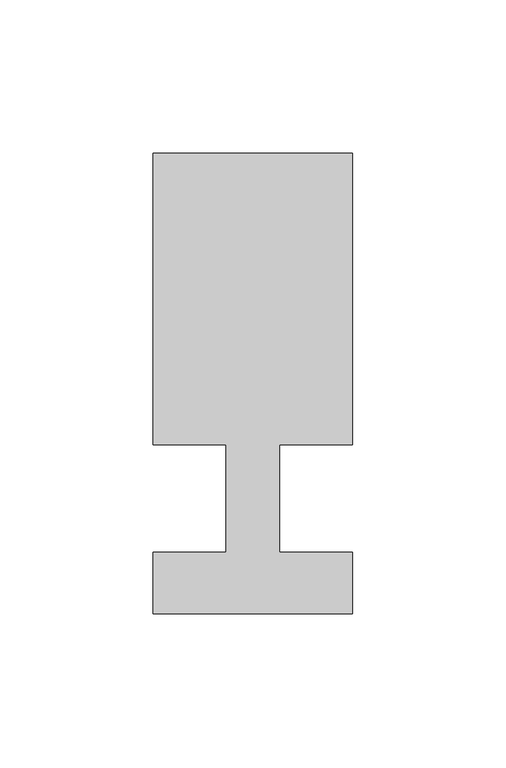
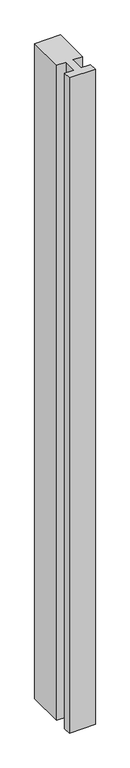
"""IFC4 building model written with IfcOpenShell, lengths in millimetres: member geometry."""

from ifc_helpers import new_model, si_unit, frame, origin, place, context, project, spatial, polyline, outline, extrude, source, transform, mapped, element, save


def member_1a3626c0(model_context):
    return source(origin(), model_context, "Body", "SweptSolid", [
        extrude(outline(polyline([(-65.0, -37.0), (-65.0, -17.0), (-41.1875, -17.0), (-41.1875, 18.0), (-65.0, 18.0), (-65.0, 113.0), (0.0, 113.0), (0.0, 18.0), (-23.8125, 18.0), (-23.8125, -17.0), (0.0, -17.0), (0.0, -37.0), (-65.0, -37.0)])), frame((0.0, 0.0, -1731.0), z_axis=(0.0, 0.0, 1.0), x_axis=(1.0, 0.0, 0.0)), (0.0, 0.0, 1.0), 1731.0),
    ])


if __name__ == "__main__":
    model = new_model("IFC4")
    model_context = context("Model", 3, world=origin())
    ifc_project = project(units=[si_unit("LENGTHUNIT", "METRE", prefix="MILLI")], contexts=[model_context])
    site = spatial("IfcSite", under=ifc_project)
    building = spatial("IfcBuilding", under=site)
    placement = place(None, origin())
    member_shape = member_1a3626c0(model_context)
    element("IfcMember", 1, at=placement, inside=building, context=model_context, shape_type="MappedRepresentation", body=[
        mapped(member_shape, transform((0.0, 0.0, 0.0), x_axis=(1.0, 0.0, 0.0), y_axis=(0.0, 1.0, 0.0), z_axis=(0.0, 0.0, 1.0))),
    ])
    save(model, "model.ifc")
